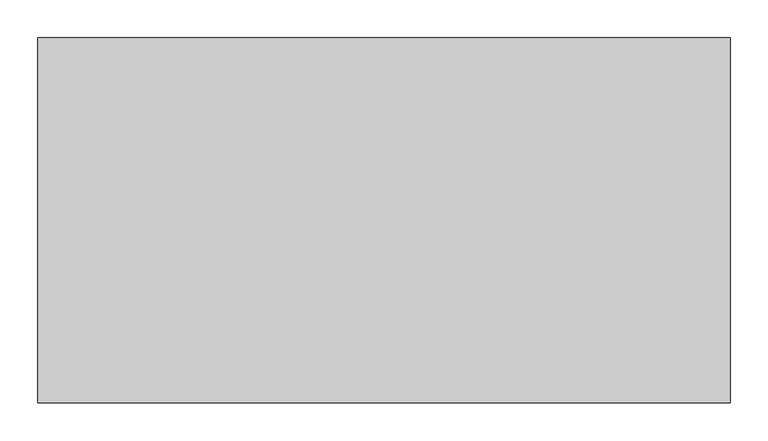
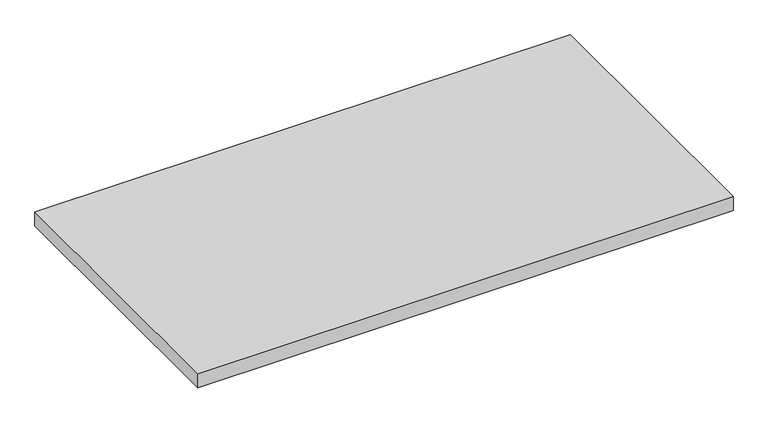
"""IFC4 building model written with IfcOpenShell, lengths in millimetres: furniture geometry."""

from ifc_helpers import new_model, si_unit, frame, origin, place, context, project, spatial, polyline, outline, extrude, source, transform, mapped, element, save


def furniture_899f803f(model_context):
    return source(origin(), model_context, "Body", "SweptSolid", [
        extrude(outline(polyline([(914.4, 0.0), (914.4, -482.6), (0.0, -482.6), (0.0, 0.0), (914.4, 0.0)])), frame((0.0, 0.0, 889.0), z_axis=(0.0, 0.0, 1.0), x_axis=(1.0, 0.0, 0.0)), (0.0, 0.0, 1.0), 25.4),
    ])


if __name__ == "__main__":
    model = new_model("IFC4")
    model_context = context("Model", 3, world=origin())
    ifc_project = project(units=[si_unit("LENGTHUNIT", "METRE", prefix="MILLI")], contexts=[model_context])
    site = spatial("IfcSite", under=ifc_project)
    building = spatial("IfcBuilding", under=site)
    placement = place(None, origin())
    furniture_shape = furniture_899f803f(model_context)
    element("IfcFurniture", 1, at=placement, inside=building, context=model_context, shape_type="MappedRepresentation", body=[
        mapped(furniture_shape, transform((0.0, 0.0, 0.0), x_axis=(1.0, 0.0, 0.0), y_axis=(0.0, 1.0, 0.0), z_axis=(0.0, 0.0, 1.0))),
    ])
    save(model, "model.ifc")
